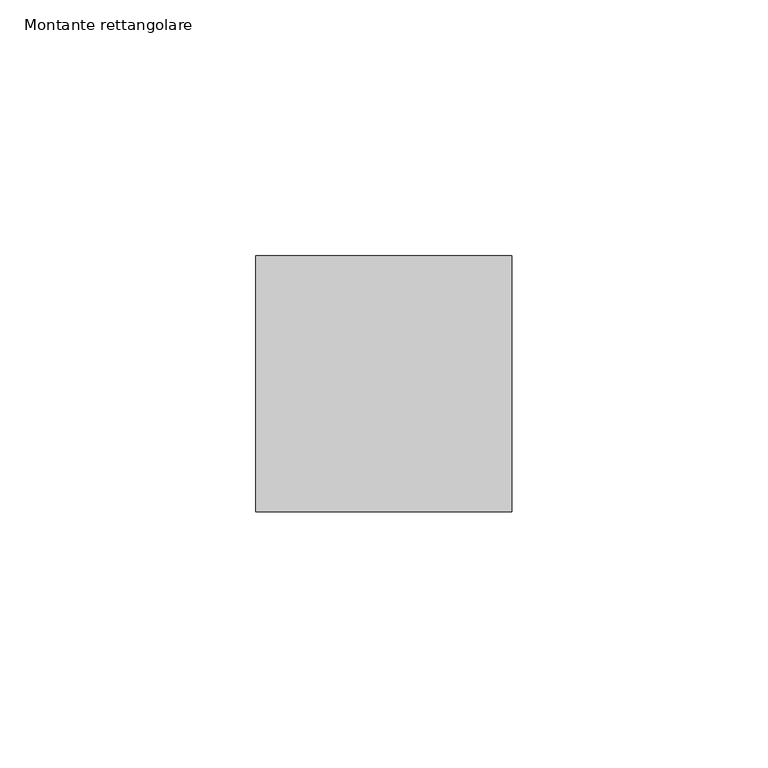
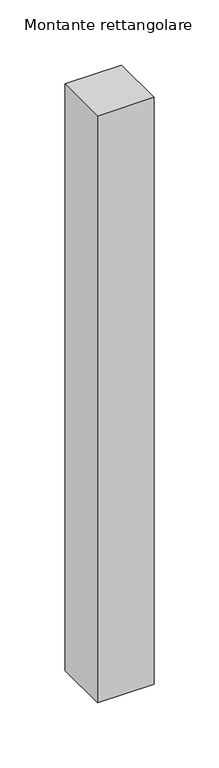
"""IFC4 building model written with IfcOpenShell, lengths in millimetres: member geometry, Montante rettangolare."""

from ifc_helpers import new_model, si_unit, frame, origin, place, context, project, spatial, polyline, outline, extrude, source, transform, mapped, element, save


def montante_rettangolare_07d3c152(model_context):
    return source(origin(), model_context, "Body", "SweptSolid", [
        extrude(outline(polyline([(25.0, 25.0), (25.0, -25.0), (-25.0, -25.0), (-25.0, 25.0), (25.0, 25.0)])), frame((0.0, 0.0, -550.0), z_axis=(0.0, 0.0, 1.0), x_axis=(1.0, 0.0, 0.0)), (0.0, 0.0, 1.0), 550.0),
    ])


if __name__ == "__main__":
    model = new_model("IFC4")
    model_context = context("Model", 3, world=origin())
    ifc_project = project(units=[si_unit("LENGTHUNIT", "METRE", prefix="MILLI")], contexts=[model_context])
    site = spatial("IfcSite", under=ifc_project)
    building = spatial("IfcBuilding", under=site)
    placement = place(None, origin())
    montante_rettangolare_shape = montante_rettangolare_07d3c152(model_context)
    element("IfcMember", 1, ObjectType="Montante rettangolare", at=placement, inside=building, context=model_context, shape_type="MappedRepresentation", body=[
        mapped(montante_rettangolare_shape, transform((0.0, 0.0, 0.0), x_axis=(1.0, 0.0, 0.0), y_axis=(0.0, 1.0, 0.0), z_axis=(0.0, 0.0, 1.0))),
    ])
    save(model, "model.ifc")
